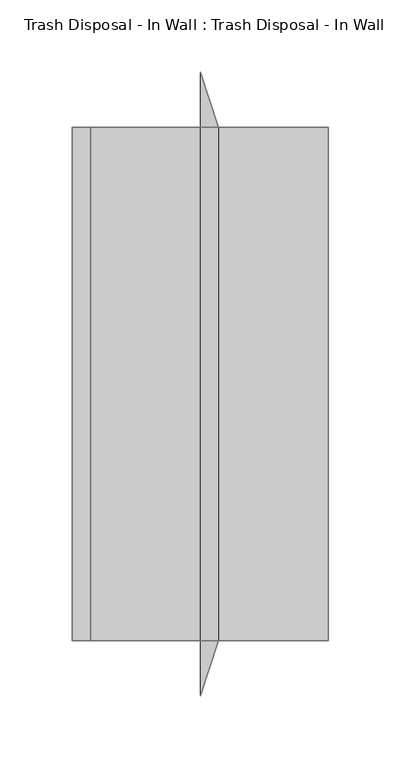
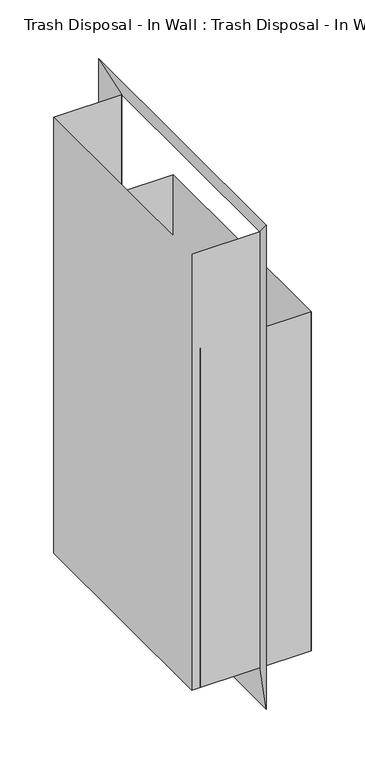
"""IFC4 building model written with IfcOpenShell, lengths in millimetres: proxy geometry, Trash Disposal - In Wall : Trash Disposal - In Wall."""

from ifc_helpers import new_model, si_unit, origin, place, context, project, spatial, triangles, source, transform, mapped, element, save


def trash_disposal_in_wall_trash_disposal_in_wall_23705c2d(model_context):
    return source(origin(), model_context, "Body", "Tessellation", [
        triangles([(-0.0002051, 393.6998425, 723.9), (12.6997937, 355.5998425, 685.8), (-0.0002051, 393.6998062, -38.1000182), (12.6997937, 355.5998062, -3.98e-05), (-0.0002051, -38.1002044, -38.0999818), (12.6997937, -0.0002117, -8.7e-06), (-0.0002051, -38.1001363, 723.9), (12.6997937, -0.0001517, 685.8), (88.8997971, 355.5998425, 533.4), (88.8997971, -0.000165, 533.4), (88.8997971, 355.5998062, -3.98e-05), (88.8997971, -0.0002117, -8.7e-06), (-88.9002059, -0.0001517, 685.8), (-88.9002059, 355.5998425, 685.8), (-88.9002059, 355.5998062, -3.98e-05), (-88.9002059, -0.0002117, -8.7e-06), (-88.9002059, 355.5998425, 533.4), (-88.9002059, -0.000165, 533.4), (-76.2002089, 355.5998425, 533.4), (-76.2002089, -0.000165, 533.4), (-76.2002089, 355.5998062, -3.98e-05), (-76.2002089, -0.0002117, -8.7e-06), (12.6997937, -0.000165, 533.4), (12.6997937, 355.5998425, 533.4)], [[1, 2, 3], [4, 3, 2], [5, 6, 7], [8, 7, 6], [9, 10, 11], [12, 11, 10], [13, 14, 15], [15, 16, 13], [17, 9, 15], [11, 15, 9], [16, 12, 18], [10, 18, 12], [19, 20, 21], [22, 21, 20], [3, 4, 6], [6, 5, 3], [15, 11, 12], [12, 16, 15], [13, 8, 18], [23, 18, 8], [14, 2, 17], [24, 17, 2], [1, 7, 2], [8, 2, 7]], closed=False),
    ])


if __name__ == "__main__":
    model = new_model("IFC4")
    model_context = context("Model", 3, world=origin())
    ifc_project = project(units=[si_unit("LENGTHUNIT", "METRE", prefix="MILLI")], contexts=[model_context])
    site = spatial("IfcSite", under=ifc_project)
    building = spatial("IfcBuilding", under=site)
    placement = place(None, origin())
    trash_disposal_in_wall_trash_disposal_in_wall_shape = trash_disposal_in_wall_trash_disposal_in_wall_23705c2d(model_context)
    element("IfcBuildingElementProxy", 1, Name="Trash Disposal - In Wall : Trash Disposal - In Wall", ObjectType="Trash Disposal - In Wall : Trash Disposal - In Wall", at=placement, inside=building, context=model_context, shape_type="MappedRepresentation", body=[
        mapped(trash_disposal_in_wall_trash_disposal_in_wall_shape, transform((0.0, 0.0, 0.0), x_axis=(1.0, 0.0, 0.0), y_axis=(0.0, 1.0, 0.0), z_axis=(0.0, 0.0, 1.0))),
    ])
    save(model, "model.ifc")
